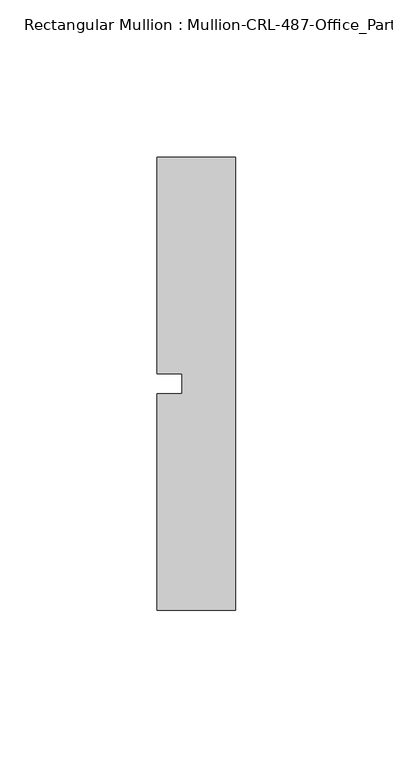
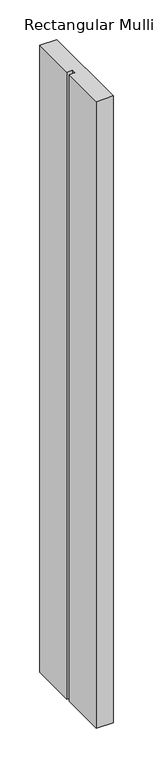
"""IFC4 building model written with IfcOpenShell, lengths in millimetres: member geometry, Rectangular Mullion : Mullion-CRL-487-Office_Partition-Sill-Window."""

import ifcopenshell
import ifcopenshell.guid

model = None  # the IFC model being written
_history = None  # IfcOwnerHistory: only IFC2X3 demands one
_inside = {}  # id of a spatial element -> (the spatial element, [elements in it])
_under = {}  # id of a project, library or spatial element -> (it, [spatial elements below it])
_declared = {}  # id of a project -> (the project, [libraries it declares])
_typed = {}  # id of a type object -> (the type object, [elements of that type])
_made_of = {}  # id of a material, layer set ... -> (it, [elements and type objects made of it])


def new_model(schema):
    """Start an empty IFC model of exactly this schema.

    Asked for "IFC4X3", IfcOpenShell would pick the latest addendum, in which some entities
    have other attributes; the version numbers below select the first issue.
    IFC2X3 requires an IfcOwnerHistory on every rooted entity: one is made here for all.
    """
    global model, _history
    if schema == "IFC4X3":
        model = ifcopenshell.file(schema_version=(4, 3, 0, 0))
    else:
        model = ifcopenshell.file(schema=schema)
    _inside.clear()
    _under.clear()
    _declared.clear()
    _typed.clear()
    _made_of.clear()
    _history = None
    if model.schema == "IFC2X3":
        org = make("IfcOrganization", Name="unknown")
        user = make(
            "IfcPersonAndOrganization",
            ThePerson=make("IfcPerson", FamilyName="unknown"),
            TheOrganization=org,
        )
        app = make(
            "IfcApplication",
            ApplicationDeveloper=org,
            Version="unknown",
            ApplicationFullName="unknown",
            ApplicationIdentifier="unknown",
        )
        _history = make(
            "IfcOwnerHistory",
            OwningUser=user,
            OwningApplication=app,
            ChangeAction="ADDED",
            CreationDate=0,
        )
    return model


def make(cls, **values):
    """One entity of the class cls with the attributes given. An attribute that is None is left unset."""
    return model.create_entity(
        cls, **{name: value for name, value in values.items() if value is not None}
    )


def rooted(cls, **values):
    """An entity with a GlobalId (a new one), such as an element, a storey or a relation."""
    return make(cls, GlobalId=ifcopenshell.guid.new(), OwnerHistory=_history, **values)


def si_unit(unit_type, name, prefix=None):
    """IfcSIUnit, for example si_unit("LENGTHUNIT", "METRE", prefix="MILLI")."""
    return make("IfcSIUnit", UnitType=unit_type, Prefix=prefix, Name=name)


def assignment(units):
    """IfcUnitAssignment: the units of a project."""
    return None if units is None else make("IfcUnitAssignment", Units=units)


def point(xyz):
    """IfcCartesianPoint."""
    return None if xyz is None else make("IfcCartesianPoint", Coordinates=xyz)


def direction(xyz):
    """IfcDirection."""
    return None if xyz is None else make("IfcDirection", DirectionRatios=xyz)


def frame(location, z_axis=None, x_axis=None):
    """IfcAxis2Placement3D, a coordinate frame: its origin and axes. An axis left out is left unset."""
    return make(
        "IfcAxis2Placement3D",
        Location=point(location),
        Axis=direction(z_axis),
        RefDirection=direction(x_axis),
    )


def origin():
    """The frame at (0, 0, 0) with its axes left unset."""
    return frame((0.0, 0.0, 0.0))


def place(relative_to, where):
    """IfcLocalPlacement: puts the frame where relative to a parent placement (None: the world)."""
    return make(
        "IfcLocalPlacement", PlacementRelTo=relative_to, RelativePlacement=where
    )


def context(
    kind, dimensions, precision=None, world=None, true_north=None, identifier=None
):
    """IfcGeometricRepresentationContext, for example the 3D "Model" context."""
    return make(
        "IfcGeometricRepresentationContext",
        ContextIdentifier=identifier,
        ContextType=kind,
        CoordinateSpaceDimension=dimensions,
        Precision=precision,
        WorldCoordinateSystem=world,
        TrueNorth=true_north,
    )


def project(units=None, contexts=None):
    """IfcProject with its units and contexts."""
    return rooted(
        "IfcProject",
        Name="project",
        RepresentationContexts=contexts,
        UnitsInContext=assignment(units),
    )


def spatial(cls, under=None, at=None, **own):
    """A site, building, storey or space (cls), placed at a placement, below another one or the project."""
    s = rooted(cls, ObjectPlacement=at, **own)
    if under is not None:
        _under.setdefault(under.id(), (under, []))[1].append(s)
    return s


def polyline(points):
    """IfcPolyline through the points."""
    return make("IfcPolyline", Points=[point(p) for p in points])


def outline(outer, holes=None, kind="AREA"):
    """IfcArbitraryClosedProfileDef: a profile drawn as a closed curve; with holes, ...WithVoids."""
    if holes is None:
        return make("IfcArbitraryClosedProfileDef", ProfileType=kind, OuterCurve=outer)
    return make(
        "IfcArbitraryProfileDefWithVoids",
        ProfileType=kind,
        OuterCurve=outer,
        InnerCurves=holes,
    )


def extrude(swept, where, along, depth):
    """IfcExtrudedAreaSolid: the profile swept, set in the frame where, extruded along a direction by depth."""
    return make(
        "IfcExtrudedAreaSolid",
        SweptArea=swept,
        Position=where,
        ExtrudedDirection=direction(along),
        Depth=depth,
    )


def shape(context_of_items, identifier, shape_type, items):
    """IfcShapeRepresentation: the items that make up one representation, for example the "Body"."""
    return make(
        "IfcShapeRepresentation",
        ContextOfItems=context_of_items,
        RepresentationIdentifier=identifier,
        RepresentationType=shape_type,
        Items=items,
    )


def source(mapping_origin, context_of_items, identifier, shape_type, items):
    """IfcRepresentationMap: a shape defined once, which mapped items show again and again."""
    return make(
        "IfcRepresentationMap",
        MappingOrigin=mapping_origin,
        MappedRepresentation=shape(context_of_items, identifier, shape_type, items),
    )


def transform(
    local_origin,
    x_axis=None,
    y_axis=None,
    z_axis=None,
    scale=None,
    scale2=None,
    scale3=None,
    uniform=True,
):
    """IfcCartesianTransformationOperator3D, or its non-uniform kind. x_axis, y_axis, z_axis: its Axis1, 2, 3."""
    if uniform:
        return make(
            "IfcCartesianTransformationOperator3D",
            Axis1=direction(x_axis),
            Axis2=direction(y_axis),
            LocalOrigin=point(local_origin),
            Scale=scale,
            Axis3=direction(z_axis),
        )
    return make(
        "IfcCartesianTransformationOperator3DnonUniform",
        Axis1=direction(x_axis),
        Axis2=direction(y_axis),
        LocalOrigin=point(local_origin),
        Scale=scale,
        Axis3=direction(z_axis),
        Scale2=scale2,
        Scale3=scale3,
    )


def mapped(mapping_source, mapping_target):
    """IfcMappedItem: shows the shape of a source again, moved by a transform."""
    return make(
        "IfcMappedItem", MappingSource=mapping_source, MappingTarget=mapping_target
    )


def made_of(thing, what):
    """Note that an element or type object is made of a material, layer set ...; save() writes the relation."""
    if what is not None:
        _made_of.setdefault(what.id(), (what, []))[1].append(thing)
    return thing


def element(
    cls,
    number,
    at=None,
    inside=None,
    cuts=None,
    type_object=None,
    material=None,
    context=None,
    identifier="Body",
    shape_type=None,
    held_by="IfcProductDefinitionShape",
    body=None,
    shapes=None,
    **own,
):
    """One element of the class cls, such as IfcWall. Its Tag is "e" and its number.

    at: its placement. inside: the storey or other place that contains it. cuts: it is an
    opening in that element (IfcRelVoidsElement). A single representation is given by context,
    identifier, shape_type and body (its items); several are given by shapes. held_by: the class
    of the entity that holds the representations. save() writes the other relations.
    """
    e = rooted(cls, Tag="e%d" % number, ObjectPlacement=at, **own)
    if body is not None:
        shapes = [shape(context, identifier, shape_type, body)]
    if shapes is not None:
        e.Representation = make(held_by, Representations=shapes)
    if inside is not None:
        _inside.setdefault(inside.id(), (inside, []))[1].append(e)
    if cuts is not None:
        rooted(
            "IfcRelVoidsElement", RelatingBuildingElement=cuts, RelatedOpeningElement=e
        )
    if type_object is not None:
        _typed.setdefault(type_object.id(), (type_object, []))[1].append(e)
    return made_of(e, material)


def aggregate(whole, parts):
    """IfcRelAggregates: a whole, such as a stair, and the parts it consists of."""
    return rooted("IfcRelAggregates", RelatingObject=whole, RelatedObjects=parts)


def save(model, path):
    """Write the relations noted so far, then the file.

    IfcRelAggregates (storeys below a building ...), IfcRelContainedInSpatialStructure (elements
    in a storey), IfcRelDefinesByType, IfcRelAssociatesMaterial and IfcRelDeclares: one each for
    every whole, place, type object, material and project.
    """
    for whole, parts in _under.values():
        aggregate(whole, parts)
    for where, things in _inside.values():
        rooted(
            "IfcRelContainedInSpatialStructure",
            RelatedElements=things,
            RelatingStructure=where,
        )
    for kind, things in _typed.values():
        rooted("IfcRelDefinesByType", RelatedObjects=things, RelatingType=kind)
    for what, things in _made_of.values():
        rooted("IfcRelAssociatesMaterial", RelatedObjects=things, RelatingMaterial=what)
    for by, libraries in _declared.values():
        rooted("IfcRelDeclares", RelatingContext=by, RelatedDefinitions=libraries)
    model.write(path)


def rectangular_mullion_mullion_crl_487_office_partition_sill_4519fb34(model_context):
    return source(origin(), model_context, "Body", "SweptSolid", [
        extrude(outline(polyline([(-24.9936017, 71.9452142), (0.0, 71.9452142), (0.0, -71.9452143), (-24.9936017, -71.9452143), (-24.9936017, -3.175), (-17.0561017, -3.175), (-17.0561017, 3.175), (-24.9936017, 3.175), (-24.9936017, 71.9452142)])), frame((0.0, 0.0, -968.4004), z_axis=(0.0, 0.0, 1.0), x_axis=(1.0, 0.0, 0.0)), (0.0, 0.0, 1.0), 968.4004),
    ])


if __name__ == "__main__":
    model = new_model("IFC4")
    model_context = context("Model", 3, world=origin())
    ifc_project = project(units=[si_unit("LENGTHUNIT", "METRE", prefix="MILLI")], contexts=[model_context])
    site = spatial("IfcSite", under=ifc_project)
    building = spatial("IfcBuilding", under=site)
    placement = place(None, origin())
    rectangular_mullion_mullion_crl_487_office_partition_sill_shape = rectangular_mullion_mullion_crl_487_office_partition_sill_4519fb34(model_context)
    element("IfcMember", 1, ObjectType="Rectangular Mullion : Mullion-CRL-487-Office_Partition-Sill-Window", at=placement, inside=building, context=model_context, shape_type="MappedRepresentation", body=[
        mapped(rectangular_mullion_mullion_crl_487_office_partition_sill_shape, transform((0.0, 0.0, 0.0), x_axis=(1.0, 0.0, 0.0), y_axis=(0.0, 1.0, 0.0), z_axis=(0.0, 0.0, 1.0))),
    ])
    save(model, "model.ifc")
